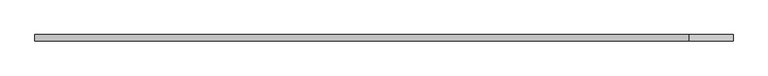
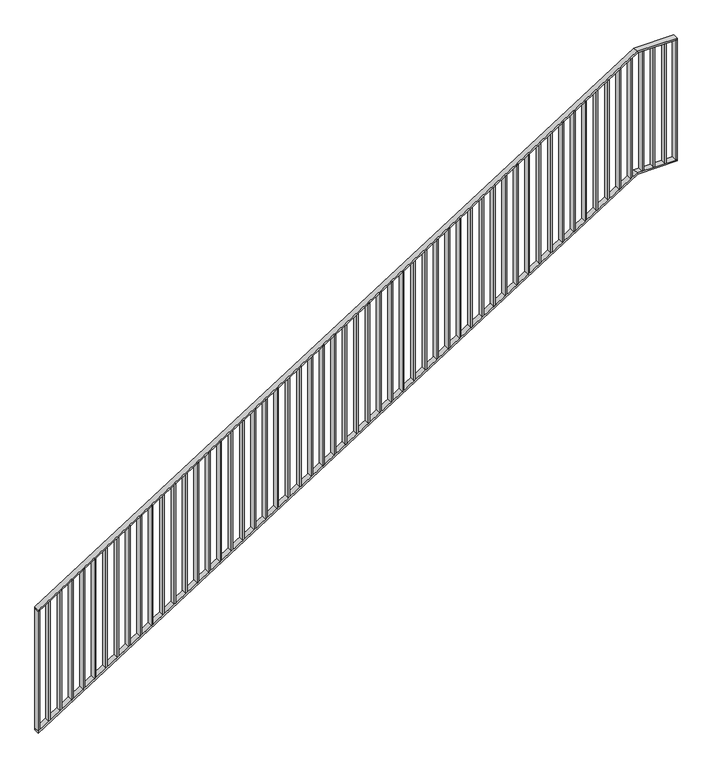
"""IFC4 building model written with IfcOpenShell, lengths in millimetres: railing geometry."""

from ifc_helpers import new_model, si_unit, frame, origin, place, context, project, spatial, polyline, outline, extrude, faceted_brep, source, transform, mapped, element, save


def railing_fda2c663(model_context):
    return source(origin(), model_context, "Body", "SolidModel", [
        faceted_brep([(0.0, 1014.6, 1178.125), (0.0, 1014.6, 1166.272994), (0.0, 974.6, 1166.272994), (0.0, 974.6, 1178.125), (4200.0, 1014.6, 3850.0), (4202.9112234, 1014.6, 3840.0), (4202.9112234, 974.6, 3840.0), (4200.0, 974.6, 3850.0), (4480.0, 1014.6, 3850.0), (4480.0, 974.6, 3850.0), (4480.0, 974.6, 3840.0), (4480.0, 1014.6, 3840.0)], [[[0, 1, 2, 3]], [[1, 0, 4, 5]], [[2, 1, 5, 6]], [[3, 2, 6, 7]], [[0, 3, 7, 4]], [[8, 9, 10, 11]], [[5, 4, 8, 11]], [[6, 5, 11, 10]], [[7, 6, 10, 9]], [[4, 7, 9, 8]]]),
        faceted_brep([(0.0, 1014.6, 278.125), (0.0, 1014.6, 266.272994), (0.0, 974.6, 266.272994), (0.0, 974.6, 278.125), (4200.0, 1014.6, 2950.0), (4202.9112234, 1014.6, 2940.0), (4202.9112234, 974.6, 2940.0), (4200.0, 974.6, 2950.0), (4480.0, 1014.6, 2950.0), (4480.0, 974.6, 2950.0), (4480.0, 974.6, 2940.0), (4480.0, 1014.6, 2940.0)], [[[0, 1, 2, 3]], [[1, 0, 4, 5]], [[2, 1, 5, 6]], [[3, 2, 6, 7]], [[0, 3, 7, 4]], [[8, 9, 10, 11]], [[5, 4, 8, 11]], [[6, 5, 11, 10]], [[7, 6, 10, 9]], [[4, 7, 9, 8]]]),
        extrude(outline(polyline([(4395.0, 1014.6), (4405.0, 1014.6), (4405.0, 974.6), (4395.0, 974.6), (4395.0, 1014.6)])), frame((0.0, 0.0, 2950.0), z_axis=(0.0, 0.0, 1.0), x_axis=(1.0, 0.0, 0.0)), (0.0, 0.0, 1.0), 890.0),
        extrude(outline(polyline([(4315.0, 1014.6), (4325.0, 1014.6), (4325.0, 974.6), (4315.0, 974.6), (4315.0, 1014.6)])), frame((0.0, 0.0, 2950.0), z_axis=(0.0, 0.0, 1.0), x_axis=(1.0, 0.0, 0.0)), (0.0, 0.0, 1.0), 890.0),
        extrude(outline(polyline([(4235.0, 1014.6), (4245.0, 1014.6), (4245.0, 974.6), (4235.0, 974.6), (4235.0, 1014.6)])), frame((0.0, 0.0, 2950.0), z_axis=(0.0, 0.0, 1.0), x_axis=(1.0, 0.0, 0.0)), (0.0, 0.0, 1.0), 890.0),
        extrude(outline(polyline([(2921.3727679, 4155.0), (2927.734375, 4165.0), (3817.734375, 4165.0), (3811.3727679, 4155.0), (2921.3727679, 4155.0)])), frame((0.0, 974.6, 0.0), z_axis=(0.0, 1.0, 0.0), x_axis=(0.0, 0.0, 1.0)), (0.0, 0.0, 1.0), 40.0),
        extrude(outline(polyline([(2870.4799107, 4075.0), (2876.8415179, 4085.0), (3766.8415179, 4085.0), (3760.4799107, 4075.0), (2870.4799107, 4075.0)])), frame((0.0, 974.6, 0.0), z_axis=(0.0, 1.0, 0.0), x_axis=(0.0, 0.0, 1.0)), (0.0, 0.0, 1.0), 40.0),
        extrude(outline(polyline([(2819.5870536, 3995.0), (2825.9486607, 4005.0), (3715.9486607, 4005.0), (3709.5870536, 3995.0), (2819.5870536, 3995.0)])), frame((0.0, 974.6, 0.0), z_axis=(0.0, 1.0, 0.0), x_axis=(0.0, 0.0, 1.0)), (0.0, 0.0, 1.0), 40.0),
        extrude(outline(polyline([(2768.6941964, 3915.0), (2775.0558036, 3925.0), (3665.0558036, 3925.0), (3658.6941964, 3915.0), (2768.6941964, 3915.0)])), frame((0.0, 974.6, 0.0), z_axis=(0.0, 1.0, 0.0), x_axis=(0.0, 0.0, 1.0)), (0.0, 0.0, 1.0), 40.0),
        extrude(outline(polyline([(2717.8013393, 3835.0), (2724.1629464, 3845.0), (3614.1629464, 3845.0), (3607.8013393, 3835.0), (2717.8013393, 3835.0)])), frame((0.0, 974.6, 0.0), z_axis=(0.0, 1.0, 0.0), x_axis=(0.0, 0.0, 1.0)), (0.0, 0.0, 1.0), 40.0),
        extrude(outline(polyline([(2666.9084821, 3755.0), (2673.2700893, 3765.0), (3563.2700893, 3765.0), (3556.9084821, 3755.0), (2666.9084821, 3755.0)])), frame((0.0, 974.6, 0.0), z_axis=(0.0, 1.0, 0.0), x_axis=(0.0, 0.0, 1.0)), (0.0, 0.0, 1.0), 40.0),
        extrude(outline(polyline([(2616.015625, 3675.0), (2622.3772321, 3685.0), (3512.3772321, 3685.0), (3506.015625, 3675.0), (2616.015625, 3675.0)])), frame((0.0, 974.6, 0.0), z_axis=(0.0, 1.0, 0.0), x_axis=(0.0, 0.0, 1.0)), (0.0, 0.0, 1.0), 40.0),
        extrude(outline(polyline([(2565.1227679, 3595.0), (2571.484375, 3605.0), (3461.484375, 3605.0), (3455.1227679, 3595.0), (2565.1227679, 3595.0)])), frame((0.0, 974.6, 0.0), z_axis=(0.0, 1.0, 0.0), x_axis=(0.0, 0.0, 1.0)), (0.0, 0.0, 1.0), 40.0),
        extrude(outline(polyline([(2514.2299107, 3515.0), (2520.5915179, 3525.0), (3410.5915179, 3525.0), (3404.2299107, 3515.0), (2514.2299107, 3515.0)])), frame((0.0, 974.6, 0.0), z_axis=(0.0, 1.0, 0.0), x_axis=(0.0, 0.0, 1.0)), (0.0, 0.0, 1.0), 40.0),
        extrude(outline(polyline([(2463.3370536, 3435.0), (2469.6986607, 3445.0), (3359.6986607, 3445.0), (3353.3370536, 3435.0), (2463.3370536, 3435.0)])), frame((0.0, 974.6, 0.0), z_axis=(0.0, 1.0, 0.0), x_axis=(0.0, 0.0, 1.0)), (0.0, 0.0, 1.0), 40.0),
        extrude(outline(polyline([(2412.4441964, 3355.0), (2418.8058036, 3365.0), (3308.8058036, 3365.0), (3302.4441964, 3355.0), (2412.4441964, 3355.0)])), frame((0.0, 974.6, 0.0), z_axis=(0.0, 1.0, 0.0), x_axis=(0.0, 0.0, 1.0)), (0.0, 0.0, 1.0), 40.0),
        extrude(outline(polyline([(2361.5513393, 3275.0), (2367.9129464, 3285.0), (3257.9129464, 3285.0), (3251.5513393, 3275.0), (2361.5513393, 3275.0)])), frame((0.0, 974.6, 0.0), z_axis=(0.0, 1.0, 0.0), x_axis=(0.0, 0.0, 1.0)), (0.0, 0.0, 1.0), 40.0),
        extrude(outline(polyline([(2310.6584821, 3195.0), (2317.0200893, 3205.0), (3207.0200893, 3205.0), (3200.6584821, 3195.0), (2310.6584821, 3195.0)])), frame((0.0, 974.6, 0.0), z_axis=(0.0, 1.0, 0.0), x_axis=(0.0, 0.0, 1.0)), (0.0, 0.0, 1.0), 40.0),
        extrude(outline(polyline([(2259.765625, 3115.0), (2266.1272321, 3125.0), (3156.1272321, 3125.0), (3149.765625, 3115.0), (2259.765625, 3115.0)])), frame((0.0, 974.6, 0.0), z_axis=(0.0, 1.0, 0.0), x_axis=(0.0, 0.0, 1.0)), (0.0, 0.0, 1.0), 40.0),
        extrude(outline(polyline([(2208.8727679, 3035.0), (2215.234375, 3045.0), (3105.234375, 3045.0), (3098.8727679, 3035.0), (2208.8727679, 3035.0)])), frame((0.0, 974.6, 0.0), z_axis=(0.0, 1.0, 0.0), x_axis=(0.0, 0.0, 1.0)), (0.0, 0.0, 1.0), 40.0),
        extrude(outline(polyline([(2157.9799107, 2955.0), (2164.3415179, 2965.0), (3054.3415179, 2965.0), (3047.9799107, 2955.0), (2157.9799107, 2955.0)])), frame((0.0, 974.6, 0.0), z_axis=(0.0, 1.0, 0.0), x_axis=(0.0, 0.0, 1.0)), (0.0, 0.0, 1.0), 40.0),
        extrude(outline(polyline([(2107.0870536, 2875.0), (2113.4486607, 2885.0), (3003.4486607, 2885.0), (2997.0870536, 2875.0), (2107.0870536, 2875.0)])), frame((0.0, 974.6, 0.0), z_axis=(0.0, 1.0, 0.0), x_axis=(0.0, 0.0, 1.0)), (0.0, 0.0, 1.0), 40.0),
        extrude(outline(polyline([(2056.1941964, 2795.0), (2062.5558036, 2805.0), (2952.5558036, 2805.0), (2946.1941964, 2795.0), (2056.1941964, 2795.0)])), frame((0.0, 974.6, 0.0), z_axis=(0.0, 1.0, 0.0), x_axis=(0.0, 0.0, 1.0)), (0.0, 0.0, 1.0), 40.0),
        extrude(outline(polyline([(2005.3013393, 2715.0), (2011.6629464, 2725.0), (2901.6629464, 2725.0), (2895.3013393, 2715.0), (2005.3013393, 2715.0)])), frame((0.0, 974.6, 0.0), z_axis=(0.0, 1.0, 0.0), x_axis=(0.0, 0.0, 1.0)), (0.0, 0.0, 1.0), 40.0),
        extrude(outline(polyline([(1954.4084821, 2635.0), (1960.7700893, 2645.0), (2850.7700893, 2645.0), (2844.4084821, 2635.0), (1954.4084821, 2635.0)])), frame((0.0, 974.6, 0.0), z_axis=(0.0, 1.0, 0.0), x_axis=(0.0, 0.0, 1.0)), (0.0, 0.0, 1.0), 40.0),
        extrude(outline(polyline([(1903.515625, 2555.0), (1909.8772321, 2565.0), (2799.8772321, 2565.0), (2793.515625, 2555.0), (1903.515625, 2555.0)])), frame((0.0, 974.6, 0.0), z_axis=(0.0, 1.0, 0.0), x_axis=(0.0, 0.0, 1.0)), (0.0, 0.0, 1.0), 40.0),
        extrude(outline(polyline([(1852.6227679, 2475.0), (1858.984375, 2485.0), (2748.984375, 2485.0), (2742.6227679, 2475.0), (1852.6227679, 2475.0)])), frame((0.0, 974.6, 0.0), z_axis=(0.0, 1.0, 0.0), x_axis=(0.0, 0.0, 1.0)), (0.0, 0.0, 1.0), 40.0),
        extrude(outline(polyline([(1801.7299107, 2395.0), (1808.0915179, 2405.0), (2698.0915179, 2405.0), (2691.7299107, 2395.0), (1801.7299107, 2395.0)])), frame((0.0, 974.6, 0.0), z_axis=(0.0, 1.0, 0.0), x_axis=(0.0, 0.0, 1.0)), (0.0, 0.0, 1.0), 40.0),
        extrude(outline(polyline([(1750.8370536, 2315.0), (1757.1986607, 2325.0), (2647.1986607, 2325.0), (2640.8370536, 2315.0), (1750.8370536, 2315.0)])), frame((0.0, 974.6, 0.0), z_axis=(0.0, 1.0, 0.0), x_axis=(0.0, 0.0, 1.0)), (0.0, 0.0, 1.0), 40.0),
        extrude(outline(polyline([(1699.9441964, 2235.0), (1706.3058036, 2245.0), (2596.3058036, 2245.0), (2589.9441964, 2235.0), (1699.9441964, 2235.0)])), frame((0.0, 974.6, 0.0), z_axis=(0.0, 1.0, 0.0), x_axis=(0.0, 0.0, 1.0)), (0.0, 0.0, 1.0), 40.0),
        extrude(outline(polyline([(1649.0513393, 2155.0), (1655.4129464, 2165.0), (2545.4129464, 2165.0), (2539.0513393, 2155.0), (1649.0513393, 2155.0)])), frame((0.0, 974.6, 0.0), z_axis=(0.0, 1.0, 0.0), x_axis=(0.0, 0.0, 1.0)), (0.0, 0.0, 1.0), 40.0),
        extrude(outline(polyline([(1598.1584821, 2075.0), (1604.5200893, 2085.0), (2494.5200893, 2085.0), (2488.1584821, 2075.0), (1598.1584821, 2075.0)])), frame((0.0, 974.6, 0.0), z_axis=(0.0, 1.0, 0.0), x_axis=(0.0, 0.0, 1.0)), (0.0, 0.0, 1.0), 40.0),
        extrude(outline(polyline([(1547.265625, 1995.0), (1553.6272321, 2005.0), (2443.6272321, 2005.0), (2437.265625, 1995.0), (1547.265625, 1995.0)])), frame((0.0, 974.6, 0.0), z_axis=(0.0, 1.0, 0.0), x_axis=(0.0, 0.0, 1.0)), (0.0, 0.0, 1.0), 40.0),
        extrude(outline(polyline([(1496.3727679, 1915.0), (1502.734375, 1925.0), (2392.734375, 1925.0), (2386.3727679, 1915.0), (1496.3727679, 1915.0)])), frame((0.0, 974.6, 0.0), z_axis=(0.0, 1.0, 0.0), x_axis=(0.0, 0.0, 1.0)), (0.0, 0.0, 1.0), 40.0),
        extrude(outline(polyline([(1445.4799107, 1835.0), (1451.8415179, 1845.0), (2341.8415179, 1845.0), (2335.4799107, 1835.0), (1445.4799107, 1835.0)])), frame((0.0, 974.6, 0.0), z_axis=(0.0, 1.0, 0.0), x_axis=(0.0, 0.0, 1.0)), (0.0, 0.0, 1.0), 40.0),
        extrude(outline(polyline([(1394.5870536, 1755.0), (1400.9486607, 1765.0), (2290.9486607, 1765.0), (2284.5870536, 1755.0), (1394.5870536, 1755.0)])), frame((0.0, 974.6, 0.0), z_axis=(0.0, 1.0, 0.0), x_axis=(0.0, 0.0, 1.0)), (0.0, 0.0, 1.0), 40.0),
        extrude(outline(polyline([(1343.6941964, 1675.0), (1350.0558036, 1685.0), (2240.0558036, 1685.0), (2233.6941964, 1675.0), (1343.6941964, 1675.0)])), frame((0.0, 974.6, 0.0), z_axis=(0.0, 1.0, 0.0), x_axis=(0.0, 0.0, 1.0)), (0.0, 0.0, 1.0), 40.0),
        extrude(outline(polyline([(1292.8013393, 1595.0), (1299.1629464, 1605.0), (2189.1629464, 1605.0), (2182.8013393, 1595.0), (1292.8013393, 1595.0)])), frame((0.0, 974.6, 0.0), z_axis=(0.0, 1.0, 0.0), x_axis=(0.0, 0.0, 1.0)), (0.0, 0.0, 1.0), 40.0),
        extrude(outline(polyline([(1241.9084821, 1515.0), (1248.2700893, 1525.0), (2138.2700893, 1525.0), (2131.9084821, 1515.0), (1241.9084821, 1515.0)])), frame((0.0, 974.6, 0.0), z_axis=(0.0, 1.0, 0.0), x_axis=(0.0, 0.0, 1.0)), (0.0, 0.0, 1.0), 40.0),
        extrude(outline(polyline([(1191.015625, 1435.0), (1197.3772321, 1445.0), (2087.3772321, 1445.0), (2081.015625, 1435.0), (1191.015625, 1435.0)])), frame((0.0, 974.6, 0.0), z_axis=(0.0, 1.0, 0.0), x_axis=(0.0, 0.0, 1.0)), (0.0, 0.0, 1.0), 40.0),
        extrude(outline(polyline([(1140.1227679, 1355.0), (1146.484375, 1365.0), (2036.484375, 1365.0), (2030.1227679, 1355.0), (1140.1227679, 1355.0)])), frame((0.0, 974.6, 0.0), z_axis=(0.0, 1.0, 0.0), x_axis=(0.0, 0.0, 1.0)), (0.0, 0.0, 1.0), 40.0),
        extrude(outline(polyline([(1089.2299107, 1275.0), (1095.5915179, 1285.0), (1985.5915179, 1285.0), (1979.2299107, 1275.0), (1089.2299107, 1275.0)])), frame((0.0, 974.6, 0.0), z_axis=(0.0, 1.0, 0.0), x_axis=(0.0, 0.0, 1.0)), (0.0, 0.0, 1.0), 40.0),
        extrude(outline(polyline([(1038.3370536, 1195.0), (1044.6986607, 1205.0), (1934.6986607, 1205.0), (1928.3370536, 1195.0), (1038.3370536, 1195.0)])), frame((0.0, 974.6, 0.0), z_axis=(0.0, 1.0, 0.0), x_axis=(0.0, 0.0, 1.0)), (0.0, 0.0, 1.0), 40.0),
        extrude(outline(polyline([(987.4441964, 1115.0), (993.8058036, 1125.0), (1883.8058036, 1125.0), (1877.4441964, 1115.0), (987.4441964, 1115.0)])), frame((0.0, 974.6, 0.0), z_axis=(0.0, 1.0, 0.0), x_axis=(0.0, 0.0, 1.0)), (0.0, 0.0, 1.0), 40.0),
        extrude(outline(polyline([(936.5513393, 1035.0), (942.9129464, 1045.0), (1832.9129464, 1045.0), (1826.5513393, 1035.0), (936.5513393, 1035.0)])), frame((0.0, 974.6, 0.0), z_axis=(0.0, 1.0, 0.0), x_axis=(0.0, 0.0, 1.0)), (0.0, 0.0, 1.0), 40.0),
        extrude(outline(polyline([(885.6584821, 955.0), (892.0200893, 965.0), (1782.0200893, 965.0), (1775.6584821, 955.0), (885.6584821, 955.0)])), frame((0.0, 974.6, 0.0), z_axis=(0.0, 1.0, 0.0), x_axis=(0.0, 0.0, 1.0)), (0.0, 0.0, 1.0), 40.0),
        extrude(outline(polyline([(834.765625, 875.0), (841.1272321, 885.0), (1731.1272321, 885.0), (1724.765625, 875.0), (834.765625, 875.0)])), frame((0.0, 974.6, 0.0), z_axis=(0.0, 1.0, 0.0), x_axis=(0.0, 0.0, 1.0)), (0.0, 0.0, 1.0), 40.0),
        extrude(outline(polyline([(783.8727679, 795.0), (790.234375, 805.0), (1680.234375, 805.0), (1673.8727679, 795.0), (783.8727679, 795.0)])), frame((0.0, 974.6, 0.0), z_axis=(0.0, 1.0, 0.0), x_axis=(0.0, 0.0, 1.0)), (0.0, 0.0, 1.0), 40.0),
        extrude(outline(polyline([(732.9799107, 715.0), (739.3415179, 725.0), (1629.3415179, 725.0), (1622.9799107, 715.0), (732.9799107, 715.0)])), frame((0.0, 974.6, 0.0), z_axis=(0.0, 1.0, 0.0), x_axis=(0.0, 0.0, 1.0)), (0.0, 0.0, 1.0), 40.0),
        extrude(outline(polyline([(682.0870536, 635.0), (688.4486607, 645.0), (1578.4486607, 645.0), (1572.0870536, 635.0), (682.0870536, 635.0)])), frame((0.0, 974.6, 0.0), z_axis=(0.0, 1.0, 0.0), x_axis=(0.0, 0.0, 1.0)), (0.0, 0.0, 1.0), 40.0),
        extrude(outline(polyline([(631.1941964, 555.0), (637.5558036, 565.0), (1527.5558036, 565.0), (1521.1941964, 555.0), (631.1941964, 555.0)])), frame((0.0, 974.6, 0.0), z_axis=(0.0, 1.0, 0.0), x_axis=(0.0, 0.0, 1.0)), (0.0, 0.0, 1.0), 40.0),
        extrude(outline(polyline([(580.3013393, 475.0), (586.6629464, 485.0), (1476.6629464, 485.0), (1470.3013393, 475.0), (580.3013393, 475.0)])), frame((0.0, 974.6, 0.0), z_axis=(0.0, 1.0, 0.0), x_axis=(0.0, 0.0, 1.0)), (0.0, 0.0, 1.0), 40.0),
        extrude(outline(polyline([(529.4084821, 395.0), (535.7700893, 405.0), (1425.7700893, 405.0), (1419.4084821, 395.0), (529.4084821, 395.0)])), frame((0.0, 974.6, 0.0), z_axis=(0.0, 1.0, 0.0), x_axis=(0.0, 0.0, 1.0)), (0.0, 0.0, 1.0), 40.0),
        extrude(outline(polyline([(478.515625, 315.0), (484.8772321, 325.0), (1374.8772321, 325.0), (1368.515625, 315.0), (478.515625, 315.0)])), frame((0.0, 974.6, 0.0), z_axis=(0.0, 1.0, 0.0), x_axis=(0.0, 0.0, 1.0)), (0.0, 0.0, 1.0), 40.0),
        extrude(outline(polyline([(427.6227679, 235.0), (433.984375, 245.0), (1323.984375, 245.0), (1317.6227679, 235.0), (427.6227679, 235.0)])), frame((0.0, 974.6, 0.0), z_axis=(0.0, 1.0, 0.0), x_axis=(0.0, 0.0, 1.0)), (0.0, 0.0, 1.0), 40.0),
        extrude(outline(polyline([(376.7299107, 155.0), (383.0915179, 165.0), (1273.0915179, 165.0), (1266.7299107, 155.0), (376.7299107, 155.0)])), frame((0.0, 974.6, 0.0), z_axis=(0.0, 1.0, 0.0), x_axis=(0.0, 0.0, 1.0)), (0.0, 0.0, 1.0), 40.0),
        extrude(outline(polyline([(325.8370536, 75.0), (332.1986607, 85.0), (1222.1986607, 85.0), (1215.8370536, 75.0), (325.8370536, 75.0)])), frame((0.0, 974.6, 0.0), z_axis=(0.0, 1.0, 0.0), x_axis=(0.0, 0.0, 1.0)), (0.0, 0.0, 1.0), 40.0),
        extrude(outline(polyline([(4470.0, 1014.6), (4480.0, 1014.6), (4480.0, 974.6), (4470.0, 974.6), (4470.0, 1014.6)])), frame((0.0, 0.0, 2950.0), z_axis=(0.0, 0.0, 1.0), x_axis=(1.0, 0.0, 0.0)), (0.0, 0.0, 1.0), 890.0),
        extrude(outline(polyline([(278.125, 0.0), (284.4866071, 10.0), (1174.4866071, 10.0), (1168.125, 0.0), (278.125, 0.0)])), frame((0.0, 974.6, 0.0), z_axis=(0.0, 1.0, 0.0), x_axis=(0.0, 0.0, 1.0)), (0.0, 0.0, 1.0), 40.0),
    ])


if __name__ == "__main__":
    model = new_model("IFC4")
    model_context = context("Model", 3, world=origin())
    ifc_project = project(units=[si_unit("LENGTHUNIT", "METRE", prefix="MILLI")], contexts=[model_context])
    site = spatial("IfcSite", under=ifc_project)
    building = spatial("IfcBuilding", under=site)
    placement = place(None, origin())
    railing_shape = railing_fda2c663(model_context)
    element("IfcRailing", 1, at=placement, inside=building, context=model_context, shape_type="MappedRepresentation", body=[
        mapped(railing_shape, transform((0.0, 0.0, 0.0), x_axis=(1.0, 0.0, 0.0), y_axis=(0.0, 1.0, 0.0), z_axis=(0.0, 0.0, 1.0))),
    ])
    save(model, "model.ifc")
